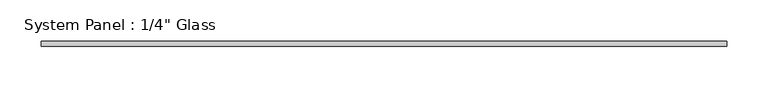
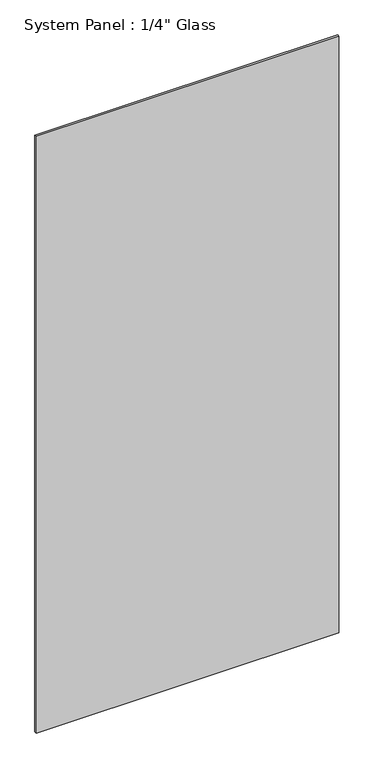
"""IFC4 building model written with IfcOpenShell, lengths in millimetres: plate geometry."""

from ifc_helpers import new_model, si_unit, origin, origin_with_axes, place, context, project, spatial, polyline, outline, extrude, source, transform, mapped, element, save


def plate_57c38a9a(model_context):
    return source(origin(), model_context, "Body", "SweptSolid", [
        extrude(outline(polyline([(417.5125, -3.175), (-417.5125, -3.175), (-417.5125, 3.175), (417.5125, 3.175), (417.5125, -3.175)])), origin_with_axes(), (0.0, 0.0, 1.0), 1739.9),
    ])


if __name__ == "__main__":
    model = new_model("IFC4")
    model_context = context("Model", 3, world=origin())
    ifc_project = project(units=[si_unit("LENGTHUNIT", "METRE", prefix="MILLI")], contexts=[model_context])
    site = spatial("IfcSite", under=ifc_project)
    building = spatial("IfcBuilding", under=site)
    placement = place(None, origin())
    plate_shape = plate_57c38a9a(model_context)
    element("IfcPlate", 1, ObjectType="System Panel : 1/4\" Glass", at=placement, inside=building, context=model_context, shape_type="MappedRepresentation", body=[
        mapped(plate_shape, transform((0.0, 0.0, 0.0), x_axis=(1.0, 0.0, 0.0), y_axis=(0.0, 1.0, 0.0), z_axis=(0.0, 0.0, 1.0))),
    ])
    save(model, "model.ifc")
